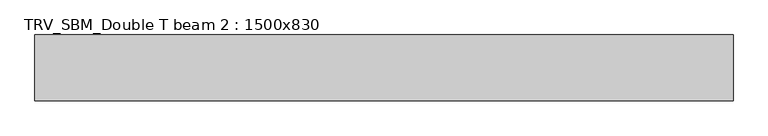
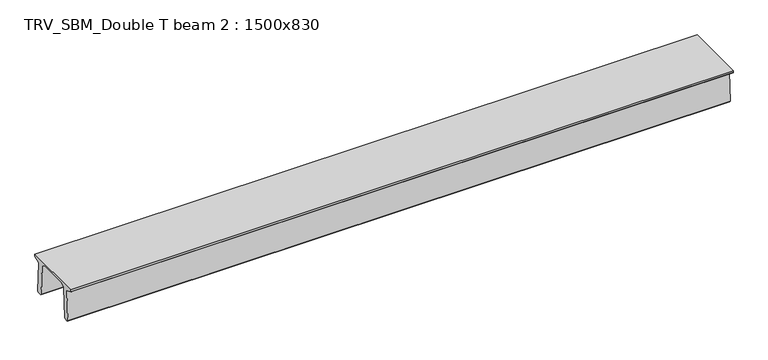
"""IFC4 building model written with IfcOpenShell, lengths in millimetres: beam geometry, TRV_SBM_Double T beam 2 : 1500x830."""

import ifcopenshell
import ifcopenshell.guid

model = None  # the IFC model being written
_history = None  # IfcOwnerHistory: only IFC2X3 demands one
_inside = {}  # id of a spatial element -> (the spatial element, [elements in it])
_under = {}  # id of a project, library or spatial element -> (it, [spatial elements below it])
_declared = {}  # id of a project -> (the project, [libraries it declares])
_typed = {}  # id of a type object -> (the type object, [elements of that type])
_made_of = {}  # id of a material, layer set ... -> (it, [elements and type objects made of it])


def new_model(schema):
    """Start an empty IFC model of exactly this schema.

    Asked for "IFC4X3", IfcOpenShell would pick the latest addendum, in which some entities
    have other attributes; the version numbers below select the first issue.
    IFC2X3 requires an IfcOwnerHistory on every rooted entity: one is made here for all.
    """
    global model, _history
    if schema == "IFC4X3":
        model = ifcopenshell.file(schema_version=(4, 3, 0, 0))
    else:
        model = ifcopenshell.file(schema=schema)
    _inside.clear()
    _under.clear()
    _declared.clear()
    _typed.clear()
    _made_of.clear()
    _history = None
    if model.schema == "IFC2X3":
        org = make("IfcOrganization", Name="unknown")
        user = make(
            "IfcPersonAndOrganization",
            ThePerson=make("IfcPerson", FamilyName="unknown"),
            TheOrganization=org,
        )
        app = make(
            "IfcApplication",
            ApplicationDeveloper=org,
            Version="unknown",
            ApplicationFullName="unknown",
            ApplicationIdentifier="unknown",
        )
        _history = make(
            "IfcOwnerHistory",
            OwningUser=user,
            OwningApplication=app,
            ChangeAction="ADDED",
            CreationDate=0,
        )
    return model


def make(cls, **values):
    """One entity of the class cls with the attributes given. An attribute that is None is left unset."""
    return model.create_entity(
        cls, **{name: value for name, value in values.items() if value is not None}
    )


def rooted(cls, **values):
    """An entity with a GlobalId (a new one), such as an element, a storey or a relation."""
    return make(cls, GlobalId=ifcopenshell.guid.new(), OwnerHistory=_history, **values)


def si_unit(unit_type, name, prefix=None):
    """IfcSIUnit, for example si_unit("LENGTHUNIT", "METRE", prefix="MILLI")."""
    return make("IfcSIUnit", UnitType=unit_type, Prefix=prefix, Name=name)


def assignment(units):
    """IfcUnitAssignment: the units of a project."""
    return None if units is None else make("IfcUnitAssignment", Units=units)


def point(xyz):
    """IfcCartesianPoint."""
    return None if xyz is None else make("IfcCartesianPoint", Coordinates=xyz)


def direction(xyz):
    """IfcDirection."""
    return None if xyz is None else make("IfcDirection", DirectionRatios=xyz)


def frame(location, z_axis=None, x_axis=None):
    """IfcAxis2Placement3D, a coordinate frame: its origin and axes. An axis left out is left unset."""
    return make(
        "IfcAxis2Placement3D",
        Location=point(location),
        Axis=direction(z_axis),
        RefDirection=direction(x_axis),
    )


def origin():
    """The frame at (0, 0, 0) with its axes left unset."""
    return frame((0.0, 0.0, 0.0))


def place(relative_to, where):
    """IfcLocalPlacement: puts the frame where relative to a parent placement (None: the world)."""
    return make(
        "IfcLocalPlacement", PlacementRelTo=relative_to, RelativePlacement=where
    )


def context(
    kind, dimensions, precision=None, world=None, true_north=None, identifier=None
):
    """IfcGeometricRepresentationContext, for example the 3D "Model" context."""
    return make(
        "IfcGeometricRepresentationContext",
        ContextIdentifier=identifier,
        ContextType=kind,
        CoordinateSpaceDimension=dimensions,
        Precision=precision,
        WorldCoordinateSystem=world,
        TrueNorth=true_north,
    )


def project(units=None, contexts=None):
    """IfcProject with its units and contexts."""
    return rooted(
        "IfcProject",
        Name="project",
        RepresentationContexts=contexts,
        UnitsInContext=assignment(units),
    )


def spatial(cls, under=None, at=None, **own):
    """A site, building, storey or space (cls), placed at a placement, below another one or the project."""
    s = rooted(cls, ObjectPlacement=at, **own)
    if under is not None:
        _under.setdefault(under.id(), (under, []))[1].append(s)
    return s


def polyline(points):
    """IfcPolyline through the points."""
    return make("IfcPolyline", Points=[point(p) for p in points])


def outline(outer, holes=None, kind="AREA"):
    """IfcArbitraryClosedProfileDef: a profile drawn as a closed curve; with holes, ...WithVoids."""
    if holes is None:
        return make("IfcArbitraryClosedProfileDef", ProfileType=kind, OuterCurve=outer)
    return make(
        "IfcArbitraryProfileDefWithVoids",
        ProfileType=kind,
        OuterCurve=outer,
        InnerCurves=holes,
    )


def extrude(swept, where, along, depth):
    """IfcExtrudedAreaSolid: the profile swept, set in the frame where, extruded along a direction by depth."""
    return make(
        "IfcExtrudedAreaSolid",
        SweptArea=swept,
        Position=where,
        ExtrudedDirection=direction(along),
        Depth=depth,
    )


def shape(context_of_items, identifier, shape_type, items):
    """IfcShapeRepresentation: the items that make up one representation, for example the "Body"."""
    return make(
        "IfcShapeRepresentation",
        ContextOfItems=context_of_items,
        RepresentationIdentifier=identifier,
        RepresentationType=shape_type,
        Items=items,
    )


def source(mapping_origin, context_of_items, identifier, shape_type, items):
    """IfcRepresentationMap: a shape defined once, which mapped items show again and again."""
    return make(
        "IfcRepresentationMap",
        MappingOrigin=mapping_origin,
        MappedRepresentation=shape(context_of_items, identifier, shape_type, items),
    )


def transform(
    local_origin,
    x_axis=None,
    y_axis=None,
    z_axis=None,
    scale=None,
    scale2=None,
    scale3=None,
    uniform=True,
):
    """IfcCartesianTransformationOperator3D, or its non-uniform kind. x_axis, y_axis, z_axis: its Axis1, 2, 3."""
    if uniform:
        return make(
            "IfcCartesianTransformationOperator3D",
            Axis1=direction(x_axis),
            Axis2=direction(y_axis),
            LocalOrigin=point(local_origin),
            Scale=scale,
            Axis3=direction(z_axis),
        )
    return make(
        "IfcCartesianTransformationOperator3DnonUniform",
        Axis1=direction(x_axis),
        Axis2=direction(y_axis),
        LocalOrigin=point(local_origin),
        Scale=scale,
        Axis3=direction(z_axis),
        Scale2=scale2,
        Scale3=scale3,
    )


def mapped(mapping_source, mapping_target):
    """IfcMappedItem: shows the shape of a source again, moved by a transform."""
    return make(
        "IfcMappedItem", MappingSource=mapping_source, MappingTarget=mapping_target
    )


def made_of(thing, what):
    """Note that an element or type object is made of a material, layer set ...; save() writes the relation."""
    if what is not None:
        _made_of.setdefault(what.id(), (what, []))[1].append(thing)
    return thing


def element(
    cls,
    number,
    at=None,
    inside=None,
    cuts=None,
    type_object=None,
    material=None,
    context=None,
    identifier="Body",
    shape_type=None,
    held_by="IfcProductDefinitionShape",
    body=None,
    shapes=None,
    **own,
):
    """One element of the class cls, such as IfcWall. Its Tag is "e" and its number.

    at: its placement. inside: the storey or other place that contains it. cuts: it is an
    opening in that element (IfcRelVoidsElement). A single representation is given by context,
    identifier, shape_type and body (its items); several are given by shapes. held_by: the class
    of the entity that holds the representations. save() writes the other relations.
    """
    e = rooted(cls, Tag="e%d" % number, ObjectPlacement=at, **own)
    if body is not None:
        shapes = [shape(context, identifier, shape_type, body)]
    if shapes is not None:
        e.Representation = make(held_by, Representations=shapes)
    if inside is not None:
        _inside.setdefault(inside.id(), (inside, []))[1].append(e)
    if cuts is not None:
        rooted(
            "IfcRelVoidsElement", RelatingBuildingElement=cuts, RelatedOpeningElement=e
        )
    if type_object is not None:
        _typed.setdefault(type_object.id(), (type_object, []))[1].append(e)
    return made_of(e, material)


def aggregate(whole, parts):
    """IfcRelAggregates: a whole, such as a stair, and the parts it consists of."""
    return rooted("IfcRelAggregates", RelatingObject=whole, RelatedObjects=parts)


def save(model, path):
    """Write the relations noted so far, then the file.

    IfcRelAggregates (storeys below a building ...), IfcRelContainedInSpatialStructure (elements
    in a storey), IfcRelDefinesByType, IfcRelAssociatesMaterial and IfcRelDeclares: one each for
    every whole, place, type object, material and project.
    """
    for whole, parts in _under.values():
        aggregate(whole, parts)
    for where, things in _inside.values():
        rooted(
            "IfcRelContainedInSpatialStructure",
            RelatedElements=things,
            RelatingStructure=where,
        )
    for kind, things in _typed.values():
        rooted("IfcRelDefinesByType", RelatedObjects=things, RelatingType=kind)
    for what, things in _made_of.values():
        rooted("IfcRelAssociatesMaterial", RelatedObjects=things, RelatingMaterial=what)
    for by, libraries in _declared.values():
        rooted("IfcRelDeclares", RelatingContext=by, RelatedDefinitions=libraries)
    model.write(path)


def trv_sbm_double_t_beam_2_1500x830_4f41ec79(model_context):
    return source(origin(), model_context, "Body", "SweptSolid", [
        extrude(outline(polyline([(337.4555014, 470.0), (-343.4555014, 470.0), (-456.5828437, 409.8491251), (-494.786332, -340.5206011), (-514.2657308, -360.0), (-604.2657308, -360.0), (-624.8277662, -339.4379646), (-586.9373878, 401.9654693), (-752.8511046, 468.9989621), (-753.0, 475.0), (-753.0, 520.0), (747.0, 520.0), (747.0, 475.0), (746.8511046, 468.9989621), (580.9373878, 401.9654693), (618.8277662, -339.4379646), (598.2657308, -360.0), (508.2657308, -360.0), (488.786332, -340.5206011), (450.5828437, 409.8491251), (337.4555014, 470.0)])), frame((-7919.0, 0.0, 0.0), z_axis=(1.0, 0.0, 0.0), x_axis=(0.0, 1.0, 0.0)), (0.0, 0.0, 1.0), 15915.0),
    ])


if __name__ == "__main__":
    model = new_model("IFC4")
    model_context = context("Model", 3, world=origin())
    ifc_project = project(units=[si_unit("LENGTHUNIT", "METRE", prefix="MILLI")], contexts=[model_context])
    site = spatial("IfcSite", under=ifc_project)
    building = spatial("IfcBuilding", under=site)
    placement = place(None, origin())
    trv_sbm_double_t_beam_2_1500x830_shape = trv_sbm_double_t_beam_2_1500x830_4f41ec79(model_context)
    element("IfcBeam", 1, ObjectType="TRV_SBM_Double T beam 2 : 1500x830", at=placement, inside=building, context=model_context, shape_type="MappedRepresentation", body=[
        mapped(trv_sbm_double_t_beam_2_1500x830_shape, transform((0.0, 0.0, 0.0), x_axis=(1.0, 0.0, 0.0), y_axis=(0.0, 1.0, 0.0), z_axis=(0.0, 0.0, 1.0))),
    ])
    save(model, "model.ifc")
